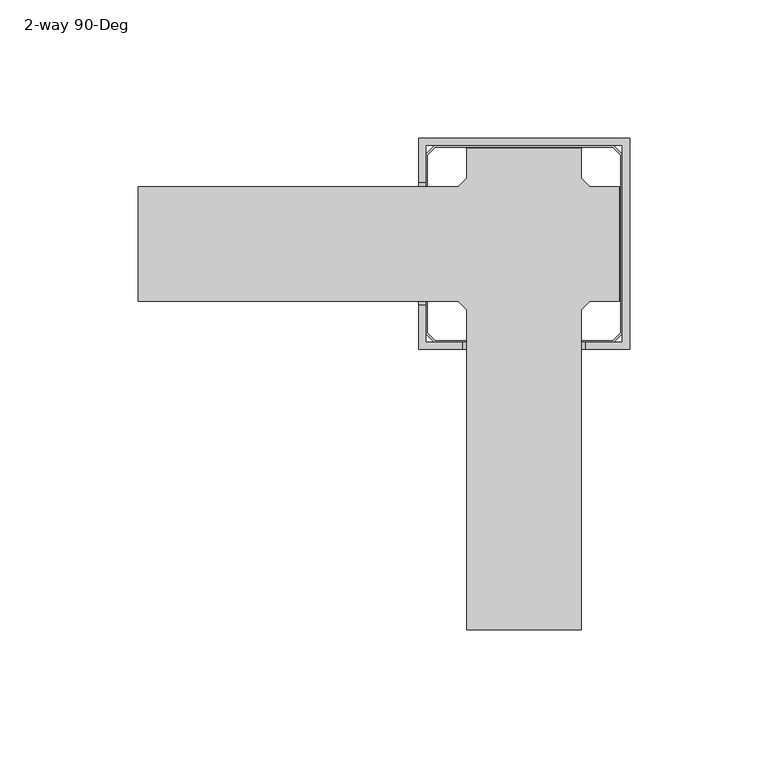
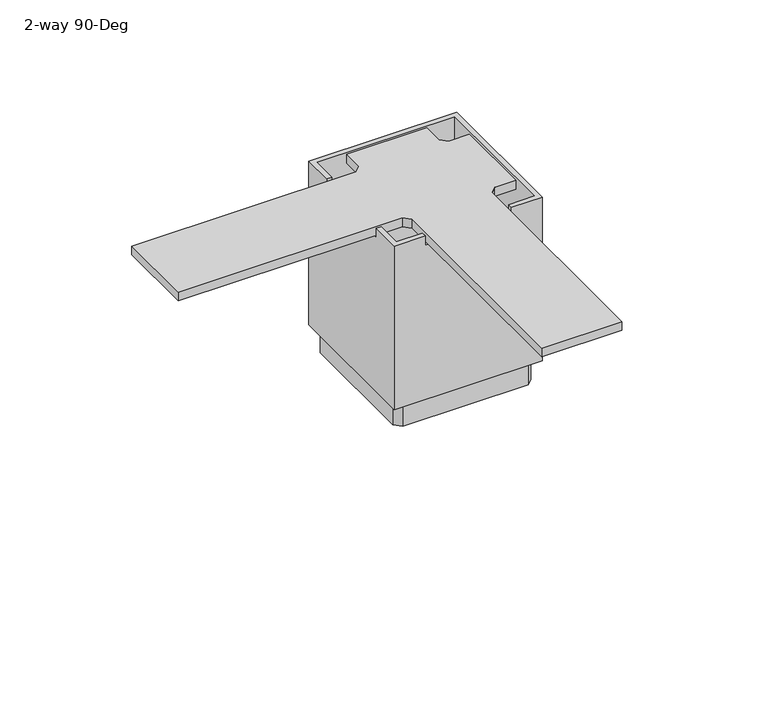
"""IFC4 building model written with IfcOpenShell, lengths in millimetres: furniture geometry, 2-way 90-Deg."""

from ifc_helpers import new_model, si_unit, frame, origin, origin_with_axes, place, context, project, spatial, polyline, outline, extrude, faceted_brep, source, transform, mapped, element, save


def furniture_2_way_90_deg_48cb49ed(model_context):
    return source(origin(), model_context, "Body", "SolidModel", [
        extrude(outline(polyline([(-79.80045, 20.6375), (-76.62545, 23.8125), (-76.62545, 34.4805), (-35.35045, 34.4805), (-35.35045, 23.8125), (-32.17545, 20.6375), (-21.50745, 20.6375), (-21.50745, -20.6375), (-32.17545, -20.6375), (-35.35045, -23.8125), (-35.35045, -139.2555), (-76.62545, -139.2555), (-76.62545, -23.8125), (-79.80045, -20.6375), (-195.24345, -20.6375), (-195.24345, 20.6375), (-79.80045, 20.6375)])), frame((0.0, 0.0, 96.5962), z_axis=(0.0, 0.0, 1.0), x_axis=(1.0, 0.0, 0.0)), (0.0, 0.0, 1.0), 4.7498),
        faceted_brep([(-17.88795, 38.1, 101.6), (-94.08795, 38.1, 101.6), (-94.08795, 22.225, 101.6), (-91.54795, 22.225, 101.6), (-91.54795, 35.56, 101.6), (-20.42795, 35.56, 101.6), (-20.42795, -35.56, 101.6), (-33.76295, -35.56, 101.6), (-33.76295, -38.1, 101.6), (-17.88795, -38.1, 101.6), (-94.08795, -38.1, 101.6), (-78.21295, -38.1, 101.6), (-78.21295, -35.56, 101.6), (-91.54795, -35.56, 101.6), (-91.54795, -22.225, 101.6), (-94.08795, -22.225, 101.6), (-17.88795, 38.1, 12.7), (-17.88795, -38.1, 12.7), (-94.08795, -38.1, 12.7), (-94.08795, 38.1, 12.7), (-20.42795, 35.56, 12.7), (-91.54795, 35.56, 12.7), (-91.54795, -35.56, 12.7), (-20.42795, -35.56, 12.7), (-94.08795, -22.225, 96.5962), (-94.08795, 22.225, 96.5962), (-33.76295, -38.1, 96.5962), (-78.21295, -38.1, 96.5962), (-78.21295, -35.56, 96.5962), (-33.76295, -35.56, 96.5962), (-91.54795, 22.225, 96.5962), (-91.54795, -22.225, 96.5962)], [[[0, 1, 2, 3, 4, 5, 6, 7, 8, 9]], [[10, 11, 12, 13, 14, 15]], [[16, 17, 18, 19], [20, 21, 22, 23]], [[1, 0, 16, 19]], [[19, 18, 10, 15, 24, 25, 2, 1]], [[18, 17, 9, 8, 26, 27, 11, 10]], [[0, 9, 17, 16]], [[6, 5, 20, 23]], [[23, 22, 13, 12, 28, 29, 7, 6]], [[22, 21, 4, 3, 30, 31, 14, 13]], [[5, 4, 21, 20]], [[28, 27, 26, 29]], [[27, 28, 12, 11]], [[29, 26, 8, 7]], [[30, 25, 24, 31]], [[25, 30, 3, 2]], [[31, 24, 15, 14]]]),
        extrude(outline(polyline([(-23.60295, 35.56), (-20.42795, 32.385), (-20.42795, -32.385), (-23.60295, -35.56), (-88.37295, -35.56), (-91.54795, -32.385), (-91.54795, 32.385), (-88.37295, 35.56), (-23.60295, 35.56)]), holes=[polyline([(-21.2217, 32.056218), (-23.931732, 34.76625), (-88.044168, 34.76625), (-90.7542, 32.056218), (-90.7542, -32.056218), (-88.044168, -34.76625), (-23.931732, -34.76625), (-21.2217, -32.056218), (-21.2217, 32.056218)])]), origin_with_axes(), (0.0, 0.0, 1.0), 12.7),
    ])


if __name__ == "__main__":
    model = new_model("IFC4")
    model_context = context("Model", 3, world=origin())
    ifc_project = project(units=[si_unit("LENGTHUNIT", "METRE", prefix="MILLI")], contexts=[model_context])
    site = spatial("IfcSite", under=ifc_project)
    building = spatial("IfcBuilding", under=site)
    placement = place(None, origin())
    furniture_2_way_90_deg_shape = furniture_2_way_90_deg_48cb49ed(model_context)
    element("IfcFurniture", 1, ObjectType="2-way 90-Deg", at=placement, inside=building, context=model_context, shape_type="MappedRepresentation", body=[
        mapped(furniture_2_way_90_deg_shape, transform((0.0, 0.0, 0.0), x_axis=(1.0, 0.0, 0.0), y_axis=(0.0, 1.0, 0.0), z_axis=(0.0, 0.0, 1.0))),
    ])
    save(model, "model.ifc")
